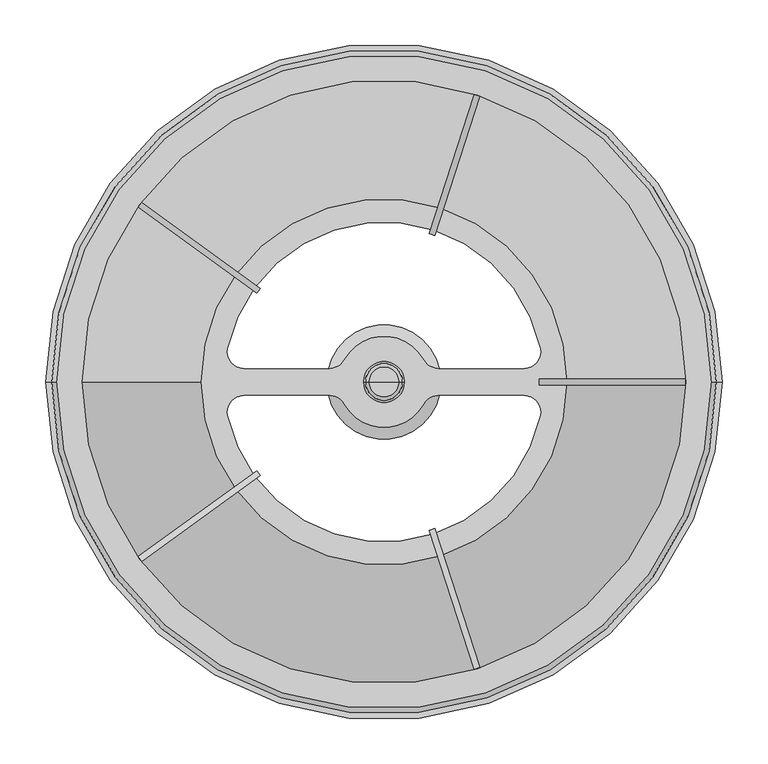
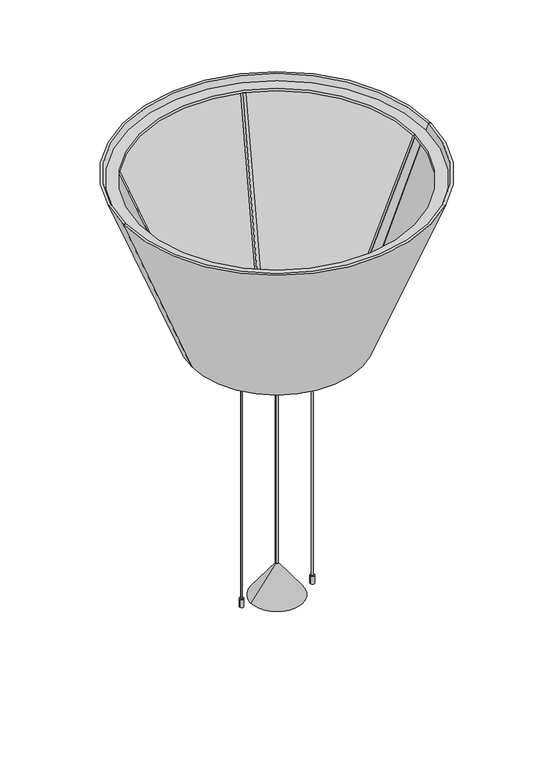
"""IFC4 building model written with IfcOpenShell, lengths in millimetres: light fixture geometry."""

from ifc_helpers import new_model, si_unit, point, frame, frame_2d, origin, origin_with_axes, origin_2d, place, context, project, spatial, polyline, circle_curve, ellipse_curve, trimmed, segment, composite_curve, outline, extrude, source, transform, mapped, element, save
from ifc_brep_helpers import plane_surface, cylinder_surface, revolved_surface, advanced_brep


def light_fixture_67ff0108(model_context):
    return source(origin(), model_context, "Body", "SolidModel", [
        extrude(outline(polyline([(0.0, 0.0), (419.6268012, 0.0), (409.2281237, -25.2451543), (-8.396722, -20.3849521), (0.0, 0.0)])), frame((98.7263926, -314.5340895, 1050.6001167), z_axis=(0.9510565162951651, 0.3090169943749121, 0.0), x_axis=(-0.1176931331949507, 0.36222221847271996, -0.924631489212571)), (0.0, 0.0, 1.0), 6.604),
        extrude(outline(polyline([(0.0, 0.0), (8.396722, -20.3849521), (-409.2281237, -25.2451543), (-419.6268012, 0.0), (0.0, 0.0)])), frame((-264.7498285, -196.4335062, 1050.6001167), z_axis=(-0.5877852522924315, 0.8090169943749778, 0.0), x_axis=(-0.30812462294689624, -0.2238656424965124, 0.924631489212571)), (0.0, 0.0, 1.0), 6.604),
        extrude(outline(polyline([(0.0, 0.0), (8.3967221, -20.3849522), (-409.2281236, -25.2451544), (-419.6268012, 0.0), (0.0, 0.0)])), frame((-268.6315623, 191.0907579, 1050.6001167), z_axis=(0.5877852522925145, 0.8090169943749174, 0.0), x_axis=(-0.30812462294687326, 0.223865642496544, 0.924631489212571)), (0.0, 0.0, 1.0), 6.604),
        extrude(outline(polyline([(0.0, 0.0), (419.6268012, 0.0), (409.2281237, -25.2451543), (-8.396722, -20.3849521), (0.0, 0.0)])), frame((105.0071698, 312.4933413, 1050.6001167), z_axis=(-0.9510565162951417, 0.3090169943749842, 0.0), x_axis=(-0.11769313319497819, -0.362222218472711, -0.924631489212571)), (0.0, 0.0, 1.0), 6.604),
        extrude(outline(polyline([(1050.6001167, 329.6478285), (662.5999626, 169.8275147), (662.5999626, 197.1304507), (1050.6001167, 351.6943977), (1050.6001167, 329.6478285)])), frame((0.0, -3.302, 0.0), z_axis=(0.0, 1.0, 0.0), x_axis=(0.0, 0.0, 1.0)), (0.0, 0.0, 1.0), 6.604),
        extrude(outline(composite_curve([segment(trimmed(circle_curve(origin_2d(), 200.0127486), [point((-200.0127486, 0.0))], [point((200.0127486, 0.0))], False, "CARTESIAN"), True, "CONTINUOUS"), segment(trimmed(circle_curve(origin_2d(), 200.0127486), [point((200.0127486, 0.0))], [point((-200.0127486, 0.0))], False, "CARTESIAN"), True, "CONTINUOUS")], self_intersect=False), holes=[composite_curve([segment(trimmed(circle_curve(origin_2d(), 50.0000005), [point((43.7638077, -24.1811743))], [point((-43.7638077, -24.1811743))], False, "CARTESIAN"), True, "CONTINUOUS"), segment(trimmed(circle_curve(frame_2d((-59.3262175, -32.7799998)), 17.78), [point((-43.7638077, -24.1811743))], [point((-59.3262175, -14.9999998))], True, "CARTESIAN"), True, "CONTINUOUS"), segment(polyline([(-59.3262175, -14.9999998), (-153.4570627, -14.9999998)]), True, "CONTINUOUS"), segment(trimmed(circle_curve(frame_2d((-153.4570627, -32.7799998)), 17.78), [point((-153.4570627, -14.9999998))], [point((-170.8447923, -36.4941968))], True, "CARTESIAN"), True, "CONTINUOUS"), segment(trimmed(circle_curve(origin_2d(), 174.6990826), [point((-170.8447923, -36.4941968))], [point((170.8447923, -36.4941968))], True, "CARTESIAN"), True, "CONTINUOUS"), segment(trimmed(circle_curve(frame_2d((153.4570627, -32.7799998)), 17.78), [point((170.8447923, -36.4941968))], [point((153.4570627, -14.9999998))], True, "CARTESIAN"), True, "CONTINUOUS"), segment(polyline([(153.4570627, -14.9999998), (59.3262175, -14.9999998)]), True, "CONTINUOUS"), segment(trimmed(circle_curve(frame_2d((59.3262175, -32.7799998)), 17.78), [point((59.3262175, -14.9999998))], [point((43.7638077, -24.1811743))], True, "CARTESIAN"), True, "CONTINUOUS")], self_intersect=False), composite_curve([segment(trimmed(circle_curve(frame_2d((-59.3262175, 32.7799998)), 17.78), [point((-59.3262175, 14.9999998))], [point((-43.7638077, 24.1811743))], True, "CARTESIAN"), True, "CONTINUOUS"), segment(trimmed(circle_curve(origin_2d(), 50.0000005), [point((-43.7638077, 24.1811743))], [point((43.7638077, 24.1811743))], False, "CARTESIAN"), True, "CONTINUOUS"), segment(trimmed(circle_curve(frame_2d((59.3262175, 32.7799998)), 17.78), [point((43.7638077, 24.1811743))], [point((59.3262175, 14.9999998))], True, "CARTESIAN"), True, "CONTINUOUS"), segment(polyline([(59.3262175, 14.9999998), (153.4570627, 14.9999998)]), True, "CONTINUOUS"), segment(trimmed(circle_curve(frame_2d((153.4570627, 32.7799998)), 17.78), [point((153.4570627, 14.9999998))], [point((170.8447923, 36.4941968))], True, "CARTESIAN"), True, "CONTINUOUS"), segment(trimmed(circle_curve(origin_2d(), 174.6990826), [point((170.8447923, 36.4941968))], [point((-170.8447923, 36.4941968))], True, "CARTESIAN"), True, "CONTINUOUS"), segment(trimmed(circle_curve(frame_2d((-153.4570627, 32.7799998)), 17.78), [point((-170.8447923, 36.4941968))], [point((-153.4570627, 14.9999998))], True, "CARTESIAN"), True, "CONTINUOUS"), segment(polyline([(-153.4570627, 14.9999998), (-59.3262175, 14.9999998)]), True, "CONTINUOUS")], self_intersect=False)]), frame((0.0, 0.0, 656.6000381), z_axis=(0.0, 0.0, 1.0), x_axis=(1.0, 0.0, 0.0)), (0.0, 0.0, 1.0), 5.9999245),
        extrude(outline(composite_curve([segment(trimmed(circle_curve(origin_2d(), 359.41), [point((-359.41, 0.0))], [point((359.41, 0.0))], False, "CARTESIAN"), True, "CONTINUOUS"), segment(trimmed(circle_curve(origin_2d(), 359.41), [point((359.41, 0.0))], [point((-359.41, 0.0))], False, "CARTESIAN"), True, "CONTINUOUS")], self_intersect=False), holes=[composite_curve([segment(trimmed(circle_curve(origin_2d(), 330.2), [point((-330.2, 0.0))], [point((330.2, 0.0))], True, "CARTESIAN"), True, "CONTINUOUS"), segment(trimmed(circle_curve(origin_2d(), 330.2), [point((330.2, 0.0))], [point((-330.2, 0.0))], True, "CARTESIAN"), True, "CONTINUOUS")], self_intersect=False)]), frame((0.0, 0.0, 1050.6001167), z_axis=(0.0, 0.0, 1.0), x_axis=(1.0, 0.0, 0.0)), (0.0, 0.0, 1.0), 5.9999245),
        advanced_brep(
        [(198.628, 0.0, 651.1675209), (-198.628, 0.0, 651.1675209), (-204.978, 0.0, 651.1675209), (204.978, 0.0, 651.1675209), (363.7273162, 0.0, 1071.2835209), (-363.7273162, 0.0, 1071.2835209), (370.0773162, 0.0, 1071.2835209), (-370.0773162, 0.0, 1071.2835209)],
        [
            (0, 1, circle_curve(frame((0.0, 0.0, 651.1675209), z_axis=(0.0, 0.0, 1.0), x_axis=(-1.0, 0.0, 0.0)), 198.628)),
            (1, 2),
            (2, 3, circle_curve(frame((0.0, 0.0, 651.1675209), z_axis=(0.0, 0.0, -1.0), x_axis=(-1.0, 0.0, 0.0)), 204.978)),
            (3, 0),
            (1, 0, circle_curve(frame((0.0, 0.0, 651.1675209), z_axis=(0.0, 0.0, 1.0), x_axis=(-1.0, 0.0, 0.0)), 198.628)),
            (3, 2, circle_curve(frame((0.0, 0.0, 651.1675209), z_axis=(0.0, 0.0, -1.0), x_axis=(-1.0, 0.0, 0.0)), 204.978)),
            (4, 5, circle_curve(frame((0.0, 0.0, 1071.2835209), z_axis=(0.0, 0.0, 1.0), x_axis=(-1.0, 0.0, 0.0)), 363.7273162)),
            (5, 1),
            (0, 4),
            (5, 4, circle_curve(frame((0.0, 0.0, 1071.2835209), z_axis=(0.0, 0.0, 1.0), x_axis=(-1.0, 0.0, 0.0)), 363.7273162)),
            (6, 7, circle_curve(frame((0.0, 0.0, 1071.2835209), z_axis=(0.0, 0.0, 1.0), x_axis=(-1.0, 0.0, 0.0)), 370.0773162)),
            (7, 5),
            (4, 6),
            (7, 6, circle_curve(frame((0.0, 0.0, 1071.2835209), z_axis=(0.0, 0.0, 1.0), x_axis=(-1.0, 0.0, 0.0)), 370.0773162)),
            (2, 7),
            (6, 3),
        ],
        [
            plane_surface(frame((0.0, 0.0, 651.1675209), z_axis=(0.0, 0.0, -1.0), x_axis=(-1.0, 0.0, 0.0))),
            revolved_surface(polyline([(-198.628, 0.0, 651.1675209), (-363.7273162, 0.0, 1071.2835209)]), (0.0, 0.0, 1198.2835209), (0.0, 0.0, -1.0)),
            plane_surface(frame((0.0, 0.0, 1071.2835209), z_axis=(0.0, 0.0, 1.0), x_axis=(-1.0, 0.0, 0.0))),
            revolved_surface(polyline([(-370.0773162, 0.0, 1071.2835209), (-204.978, 0.0, 651.1675209)]), (0.0, 0.0, 1198.2835209), (0.0, 0.0, -1.0)),
        ],
        [
            (0, [[1, 2, 3, 4]]),
            (0, [[5, -4, 6, -2]]),
            (1, [[7, 8, -1, 9]]),
            (1, [[10, -9, -5, -8]]),
            (2, [[11, 12, -7, 13]]),
            (2, [[14, -13, -10, -12]]),
            (3, [[-3, 15, -11, 16]]),
            (3, [[-6, -16, -14, -15]]),
        ],
    ),
        advanced_brep(
        [(-11.0616704, 0.0, 664.5533765), (11.0616704, 0.0, 664.5533765), (7.7346314, 0.0, 662.5999626), (-7.7346314, 0.0, 662.5999626), (-21.5426766, 0.0, 683.3355465), (21.5426766, 0.0, 683.3355465), (-22.3301074, 0.0, 686.9010236), (22.3301074, 0.0, 686.9010236), (-20.234002, 0.0, 715.072733), (20.234002, 0.0, 715.072733), (-16.4345046, 0.0, 718.6000328), (16.4345046, 0.0, 718.6000328), (0.0, 0.0, 718.6000328), (0.0, 0.0, 662.5999626)],
        [
            (0, 1, circle_curve(frame((0.0, 0.0, 664.5533765), z_axis=(0.0, 0.0, -1.0), x_axis=(1.0, 0.0, 0.0)), 11.0616704)),
            (1, 2, circle_curve(frame((7.7346314, 0.0, 666.4099626), z_axis=(0.0, 1.0, 0.0), x_axis=(1.0, 0.0, 0.0)), 3.81)),
            (2, 3, circle_curve(frame((0.0, 0.0, 662.5999626), z_axis=(0.0, 0.0, 1.0), x_axis=(1.0, 0.0, 0.0)), 7.7346314)),
            (3, 0, circle_curve(frame((-7.7346314, 0.0, 666.4099626), z_axis=(0.0, 1.0, 0.0), x_axis=(-1.0, 0.0, 0.0)), 3.81)),
            (1, 0, circle_curve(frame((0.0, 0.0, 664.5533765), z_axis=(0.0, 0.0, -1.0), x_axis=(1.0, 0.0, 0.0)), 11.0616704)),
            (3, 2, circle_curve(frame((0.0, 0.0, 662.5999626), z_axis=(0.0, 0.0, 1.0), x_axis=(1.0, 0.0, 0.0)), 7.7346314)),
            (4, 5, circle_curve(frame((0.0, 0.0, 683.3355465), z_axis=(0.0, 0.0, -1.0), x_axis=(1.0, 0.0, 0.0)), 21.5426766)),
            (5, 1),
            (0, 4),
            (5, 4, circle_curve(frame((0.0, 0.0, 683.3355465), z_axis=(0.0, 0.0, -1.0), x_axis=(1.0, 0.0, 0.0)), 21.5426766)),
            (6, 7, circle_curve(frame((0.0, 0.0, 686.9010236), z_axis=(0.0, 0.0, -1.0), x_axis=(1.0, 0.0, 0.0)), 22.3301074)),
            (7, 5, circle_curve(frame((15.9976117, 0.0, 686.4298567), z_axis=(0.0, 1.0, 0.0), x_axis=(1.0, 0.0, 0.0)), 6.35)),
            (4, 6, circle_curve(frame((-15.9976117, 0.0, 686.4298567), z_axis=(0.0, 1.0, 0.0), x_axis=(-1.0, 0.0, 0.0)), 6.35)),
            (7, 6, circle_curve(frame((0.0, 0.0, 686.9010236), z_axis=(0.0, 0.0, -1.0), x_axis=(1.0, 0.0, 0.0)), 22.3301074)),
            (8, 9, circle_curve(frame((0.0, 0.0, 715.072733), z_axis=(0.0, 0.0, -1.0), x_axis=(1.0, 0.0, 0.0)), 20.234002)),
            (9, 7),
            (6, 8),
            (9, 8, circle_curve(frame((0.0, 0.0, 715.072733), z_axis=(0.0, 0.0, -1.0), x_axis=(1.0, 0.0, 0.0)), 20.234002)),
            (10, 11, circle_curve(frame((0.0, 0.0, 718.6000328), z_axis=(0.0, 0.0, -1.0), x_axis=(1.0, 0.0, 0.0)), 16.4345046)),
            (11, 9, circle_curve(frame((16.4345046, 0.0, 714.7900328), z_axis=(0.0, 1.0, 0.0), x_axis=(1.0, 0.0, 0.0)), 3.81)),
            (8, 10, circle_curve(frame((-16.4345046, 0.0, 714.7900328), z_axis=(0.0, 1.0, 0.0), x_axis=(-1.0, 0.0, 0.0)), 3.81)),
            (11, 10, circle_curve(frame((0.0, 0.0, 718.6000328), z_axis=(0.0, 0.0, -1.0), x_axis=(1.0, 0.0, 0.0)), 16.4345046)),
            (12, 11),
            (10, 12),
            (2, 13),
            (13, 3),
        ],
        [
            revolved_surface(trimmed(ellipse_curve(frame((7.7346314, 0.0, 666.4099626), z_axis=(0.0, -1.0, 0.0), x_axis=(1.0, 0.0, 0.0)), 3.81, 3.81), [point((7.7346314, 0.0, 662.5999626))], [point((11.0616704, 0.0, 664.5533765))], True, "CARTESIAN"), (0.0, 0.0, 741.9472855), (0.0, 0.0, 1.0)),
            revolved_surface(polyline([(11.0616704, 0.0, 664.5533765), (21.5426766, 0.0, 683.3355465)]), (0.0, 0.0, 741.9472855), (0.0, 0.0, 1.0)),
            revolved_surface(trimmed(ellipse_curve(frame((15.9976117, 0.0, 686.4298567), z_axis=(0.0, -1.0, 0.0), x_axis=(1.0, 0.0, 0.0)), 6.35, 6.35), [point((21.5426766, 0.0, 683.3355465))], [point((22.3301074, 0.0, 686.9010236))], True, "CARTESIAN"), (0.0, 0.0, 741.9472855), (0.0, 0.0, 1.0)),
            revolved_surface(polyline([(22.3301074, 0.0, 686.9010236), (20.234002, 0.0, 715.072733)]), (0.0, 0.0, 741.9472855), (0.0, 0.0, 1.0)),
            revolved_surface(trimmed(ellipse_curve(frame((16.4345046, 0.0, 714.7900328), z_axis=(0.0, -1.0, 0.0), x_axis=(1.0, 0.0, 0.0)), 3.81, 3.81), [point((20.234002, 0.0, 715.072733))], [point((16.4345046, 0.0, 718.6000328))], True, "CARTESIAN"), (0.0, 0.0, 741.9472855), (0.0, 0.0, 1.0)),
            plane_surface(frame((0.0, 0.0, 718.6000328), z_axis=(0.0, 0.0, 1.0), x_axis=(1.0, 0.0, 0.0))),
            plane_surface(frame((0.0, 0.0, 662.5999626), z_axis=(0.0, 0.0, -1.0), x_axis=(1.0, 0.0, 0.0))),
        ],
        [
            (0, [[1, 2, 3, 4]]),
            (0, [[5, -4, 6, -2]]),
            (1, [[7, 8, -1, 9]]),
            (1, [[10, -9, -5, -8]]),
            (2, [[11, 12, -7, 13]]),
            (2, [[14, -13, -10, -12]]),
            (3, [[15, 16, -11, 17]]),
            (3, [[18, -17, -14, -16]]),
            (4, [[19, 20, -15, 21]]),
            (4, [[22, -21, -18, -20]]),
            (5, [[23, -19, 24]]),
            (5, [[-24, -22, -23]]),
            (6, [[-3, 25, 26]]),
            (6, [[-6, -26, -25]]),
        ],
    ),
        extrude(outline(composite_curve([segment(trimmed(circle_curve(frame_2d((85.09, 0.0)), 1.905), [point((86.995, 0.0))], [point((83.185, 0.0))], False, "CARTESIAN"), True, "CONTINUOUS"), segment(trimmed(circle_curve(frame_2d((85.09, 0.0)), 1.905), [point((83.185, 0.0))], [point((86.995, 0.0))], False, "CARTESIAN"), True, "CONTINUOUS")], self_intersect=False)), frame((0.0, 0.0, 19.999942), z_axis=(0.0, 0.0, 1.0), x_axis=(1.0, 0.0, 0.0)), (0.0, 0.0, 1.0), 609.6),
        extrude(outline(composite_curve([segment(trimmed(circle_curve(frame_2d((-85.09, 0.0)), 1.905), [point((-86.995, 0.0))], [point((-83.185, 0.0))], False, "CARTESIAN"), True, "CONTINUOUS"), segment(trimmed(circle_curve(frame_2d((-85.09, 0.0)), 1.905), [point((-83.185, 0.0))], [point((-86.995, 0.0))], False, "CARTESIAN"), True, "CONTINUOUS")], self_intersect=False)), frame((0.0, 0.0, 19.999942), z_axis=(0.0, 0.0, 1.0), x_axis=(1.0, 0.0, 0.0)), (0.0, 0.0, 1.0), 609.6),
        advanced_brep(
        [(4.9999946, 0.0, 629.599942), (-4.9999946, 0.0, 629.599942), (-4.9999946, 0.0, 649.599884), (4.9999946, 0.0, 649.599884), (-9.9999983, 0.0, 649.599884), (9.9999983, 0.0, 649.599884), (-9.9999983, 0.0, 656.6000381), (9.9999983, 0.0, 656.6000381), (0.0, 0.0, 656.6000381), (0.0, 0.0, 629.599942)],
        [
            (0, 1, circle_curve(frame((0.0, 0.0, 629.599942), z_axis=(0.0, 0.0, 1.0), x_axis=(-1.0, 0.0, 0.0)), 4.9999946)),
            (1, 2),
            (2, 3, circle_curve(frame((0.0, 0.0, 649.599884), z_axis=(0.0, 0.0, -1.0), x_axis=(-1.0, 0.0, 0.0)), 4.9999946)),
            (3, 0),
            (1, 0, circle_curve(frame((0.0, 0.0, 629.599942), z_axis=(0.0, 0.0, 1.0), x_axis=(-1.0, 0.0, 0.0)), 4.9999946)),
            (3, 2, circle_curve(frame((0.0, 0.0, 649.599884), z_axis=(0.0, 0.0, -1.0), x_axis=(-1.0, 0.0, 0.0)), 4.9999946)),
            (2, 4),
            (4, 5, circle_curve(frame((0.0, 0.0, 649.599884), z_axis=(0.0, 0.0, -1.0), x_axis=(-1.0, 0.0, 0.0)), 9.9999983)),
            (5, 3),
            (5, 4, circle_curve(frame((0.0, 0.0, 649.599884), z_axis=(0.0, 0.0, -1.0), x_axis=(-1.0, 0.0, 0.0)), 9.9999983)),
            (4, 6),
            (6, 7, circle_curve(frame((0.0, 0.0, 656.6000381), z_axis=(0.0, 0.0, -1.0), x_axis=(-1.0, 0.0, 0.0)), 9.9999983)),
            (7, 5),
            (7, 6, circle_curve(frame((0.0, 0.0, 656.6000381), z_axis=(0.0, 0.0, -1.0), x_axis=(-1.0, 0.0, 0.0)), 9.9999983)),
            (6, 8),
            (8, 7),
            (9, 1),
            (0, 9),
        ],
        [
            cylinder_surface(frame((0.0, 0.0, 656.6000381), z_axis=(0.0, 0.0, -1.0), x_axis=(-1.0, 0.0, 0.0)), 4.9999946),
            plane_surface(frame((0.0, 0.0, 649.599884), z_axis=(0.0, 0.0, -1.0), x_axis=(-1.0, 0.0, 0.0))),
            cylinder_surface(frame((0.0, 0.0, 656.6000381), z_axis=(0.0, 0.0, -1.0), x_axis=(-1.0, 0.0, 0.0)), 9.9999983),
            plane_surface(frame((0.0, 0.0, 656.6000381), z_axis=(0.0, 0.0, 1.0), x_axis=(-1.0, 0.0, 0.0))),
            plane_surface(frame((0.0, 0.0, 629.599942), z_axis=(0.0, 0.0, -1.0), x_axis=(-1.0, 0.0, 0.0))),
        ],
        [
            (0, [[1, 2, 3, 4]]),
            (0, [[5, -4, 6, -2]]),
            (1, [[-3, 7, 8, 9]]),
            (1, [[-6, -9, 10, -7]]),
            (2, [[-8, 11, 12, 13]]),
            (2, [[-10, -13, 14, -11]]),
            (3, [[-12, 15, 16]]),
            (3, [[-14, -16, -15]]),
            (4, [[17, -1, 18]]),
            (4, [[-18, -5, -17]]),
        ],
    ),
        advanced_brep(
        [(90.0542052, 0.0, 629.599942), (80.0542161, 0.0, 629.599942), (80.0542161, 0.0, 649.599884), (90.0542052, 0.0, 649.599884), (75.0542124, 0.0, 649.599884), (95.0542089, 0.0, 649.599884), (75.0542124, 0.0, 656.6000381), (95.0542089, 0.0, 656.6000381), (85.0542106, 0.0, 656.6000381), (85.0542106, 0.0, 629.599942)],
        [
            (0, 1, circle_curve(frame((85.0542106, 0.0, 629.599942), z_axis=(0.0, 0.0, 1.0), x_axis=(-1.0, 0.0, 0.0)), 4.9999946)),
            (1, 2),
            (2, 3, circle_curve(frame((85.0542106, 0.0, 649.599884), z_axis=(0.0, 0.0, -1.0), x_axis=(-1.0, 0.0, 0.0)), 4.9999946)),
            (3, 0),
            (1, 0, circle_curve(frame((85.0542106, 0.0, 629.599942), z_axis=(0.0, 0.0, 1.0), x_axis=(-1.0, 0.0, 0.0)), 4.9999946)),
            (3, 2, circle_curve(frame((85.0542106, 0.0, 649.599884), z_axis=(0.0, 0.0, -1.0), x_axis=(-1.0, 0.0, 0.0)), 4.9999946)),
            (2, 4),
            (4, 5, circle_curve(frame((85.0542106, 0.0, 649.599884), z_axis=(0.0, 0.0, -1.0), x_axis=(-1.0, 0.0, 0.0)), 9.9999983)),
            (5, 3),
            (5, 4, circle_curve(frame((85.0542106, 0.0, 649.599884), z_axis=(0.0, 0.0, -1.0), x_axis=(-1.0, 0.0, 0.0)), 9.9999983)),
            (4, 6),
            (6, 7, circle_curve(frame((85.0542106, 0.0, 656.6000381), z_axis=(0.0, 0.0, -1.0), x_axis=(-1.0, 0.0, 0.0)), 9.9999983)),
            (7, 5),
            (7, 6, circle_curve(frame((85.0542106, 0.0, 656.6000381), z_axis=(0.0, 0.0, -1.0), x_axis=(-1.0, 0.0, 0.0)), 9.9999983)),
            (6, 8),
            (8, 7),
            (9, 1),
            (0, 9),
        ],
        [
            cylinder_surface(frame((85.0542106, 0.0, 656.6000381), z_axis=(0.0, 0.0, -1.0), x_axis=(-1.0, 0.0, 0.0)), 4.9999946),
            plane_surface(frame((85.0542106, 0.0, 649.599884), z_axis=(0.0, 0.0, -1.0), x_axis=(-1.0, 0.0, 0.0))),
            cylinder_surface(frame((85.0542106, 0.0, 656.6000381), z_axis=(0.0, 0.0, -1.0), x_axis=(-1.0, 0.0, 0.0)), 9.9999983),
            plane_surface(frame((85.0542106, 0.0, 656.6000381), z_axis=(0.0, 0.0, 1.0), x_axis=(-1.0, 0.0, 0.0))),
            plane_surface(frame((85.0542106, 0.0, 629.599942), z_axis=(0.0, 0.0, -1.0), x_axis=(-1.0, 0.0, 0.0))),
        ],
        [
            (0, [[1, 2, 3, 4]]),
            (0, [[5, -4, 6, -2]]),
            (1, [[-3, 7, 8, 9]]),
            (1, [[-6, -9, 10, -7]]),
            (2, [[-8, 11, 12, 13]]),
            (2, [[-10, -13, 14, -11]]),
            (3, [[-12, 15, 16]]),
            (3, [[-14, -16, -15]]),
            (4, [[17, -1, 18]]),
            (4, [[-18, -5, -17]]),
        ],
    ),
        advanced_brep(
        [(-90.0542052, 0.0, 649.599884), (-80.0542161, 0.0, 649.599884), (-80.0542161, 0.0, 629.599942), (-90.0542052, 0.0, 629.599942), (-95.0542089, 0.0, 649.599884), (-75.0542124, 0.0, 649.599884), (-95.0542089, 0.0, 656.6000381), (-75.0542124, 0.0, 656.6000381), (-85.0542106, 0.0, 656.6000381), (-85.0542106, 0.0, 629.599942)],
        [
            (0, 1, circle_curve(frame((-85.0542106, 0.0, 649.599884), z_axis=(0.0, 0.0, -1.0), x_axis=(1.0, 0.0, 0.0)), 4.9999946)),
            (1, 2),
            (2, 3, circle_curve(frame((-85.0542106, 0.0, 629.599942), z_axis=(0.0, 0.0, 1.0), x_axis=(1.0, 0.0, 0.0)), 4.9999946)),
            (3, 0),
            (1, 0, circle_curve(frame((-85.0542106, 0.0, 649.599884), z_axis=(0.0, 0.0, -1.0), x_axis=(1.0, 0.0, 0.0)), 4.9999946)),
            (3, 2, circle_curve(frame((-85.0542106, 0.0, 629.599942), z_axis=(0.0, 0.0, 1.0), x_axis=(1.0, 0.0, 0.0)), 4.9999946)),
            (4, 5, circle_curve(frame((-85.0542106, 0.0, 649.599884), z_axis=(0.0, 0.0, -1.0), x_axis=(1.0, 0.0, 0.0)), 9.9999983)),
            (5, 1),
            (0, 4),
            (5, 4, circle_curve(frame((-85.0542106, 0.0, 649.599884), z_axis=(0.0, 0.0, -1.0), x_axis=(1.0, 0.0, 0.0)), 9.9999983)),
            (6, 7, circle_curve(frame((-85.0542106, 0.0, 656.6000381), z_axis=(0.0, 0.0, -1.0), x_axis=(1.0, 0.0, 0.0)), 9.9999983)),
            (7, 5),
            (4, 6),
            (7, 6, circle_curve(frame((-85.0542106, 0.0, 656.6000381), z_axis=(0.0, 0.0, -1.0), x_axis=(1.0, 0.0, 0.0)), 9.9999983)),
            (8, 7),
            (6, 8),
            (2, 9),
            (9, 3),
        ],
        [
            cylinder_surface(frame((-85.0542106, 0.0, 656.6000381), z_axis=(0.0, 0.0, 1.0), x_axis=(1.0, 0.0, 0.0)), 4.9999946),
            plane_surface(frame((-85.0542106, 0.0, 649.599884), z_axis=(0.0, 0.0, -1.0), x_axis=(1.0, 0.0, 0.0))),
            cylinder_surface(frame((-85.0542106, 0.0, 656.6000381), z_axis=(0.0, 0.0, 1.0), x_axis=(1.0, 0.0, 0.0)), 9.9999983),
            plane_surface(frame((-85.0542106, 0.0, 656.6000381), z_axis=(0.0, 0.0, 1.0), x_axis=(1.0, 0.0, 0.0))),
            plane_surface(frame((-85.0542106, 0.0, 629.599942), z_axis=(0.0, 0.0, -1.0), x_axis=(1.0, 0.0, 0.0))),
        ],
        [
            (0, [[1, 2, 3, 4]]),
            (0, [[5, -4, 6, -2]]),
            (1, [[7, 8, -1, 9]]),
            (1, [[10, -9, -5, -8]]),
            (2, [[11, 12, -7, 13]]),
            (2, [[14, -13, -10, -12]]),
            (3, [[15, -11, 16]]),
            (3, [[-16, -14, -15]]),
            (4, [[-3, 17, 18]]),
            (4, [[-6, -18, -17]]),
        ],
    ),
        advanced_brep(
        [(0.0, 0.0, 80.9200607), (3.0, 0.0, 80.9200607), (-3.0, 0.0, 80.9200607), (-62.5000005, 0.0, 0.0), (62.5000005, 0.0, 0.0), (0.0, 0.0, 0.0)],
        [
            (0, 1),
            (1, 2, circle_curve(frame((0.0, 0.0, 80.9200607), z_axis=(0.0, 0.0, 1.0), x_axis=(1.0, 0.0, 0.0)), 3.0)),
            (2, 0),
            (2, 1, circle_curve(frame((0.0, 0.0, 80.9200607), z_axis=(0.0, 0.0, 1.0), x_axis=(1.0, 0.0, 0.0)), 3.0)),
            (3, 4, circle_curve(frame((0.0, 0.0, 0.0), z_axis=(0.0, 0.0, -1.0), x_axis=(1.0, 0.0, 0.0)), 62.5000005)),
            (4, 5),
            (5, 3),
            (4, 3, circle_curve(frame((0.0, 0.0, 0.0), z_axis=(0.0, 0.0, -1.0), x_axis=(1.0, 0.0, 0.0)), 62.5000005)),
            (1, 4),
            (3, 2),
        ],
        [
            plane_surface(frame((0.0, 0.0, 80.9200607), z_axis=(0.0, 0.0, 1.0), x_axis=(1.0, 0.0, 0.0))),
            plane_surface(frame((0.0, 0.0, 0.0), z_axis=(0.0, 0.0, -1.0), x_axis=(1.0, 0.0, 0.0))),
            revolved_surface(polyline([(62.5000005, 0.0, 0.0), (3.0, 0.0, 80.9200607)]), (0.0, 0.0, 138.0700607), (0.0, 0.0, 1.0)),
        ],
        [
            (0, [[1, 2, 3]]),
            (0, [[-3, 4, -1]]),
            (1, [[5, 6, 7]]),
            (1, [[8, -7, -6]]),
            (2, [[-2, 9, -5, 10]]),
            (2, [[-4, -10, -8, -9]]),
        ],
    ),
        extrude(outline(composite_curve([segment(trimmed(circle_curve(frame_2d((85.09, 0.0)), 4.953), [point((80.137, 0.0))], [point((90.043, 0.0))], False, "CARTESIAN"), True, "CONTINUOUS"), segment(trimmed(circle_curve(frame_2d((85.09, 0.0)), 4.953), [point((90.043, 0.0))], [point((80.137, 0.0))], False, "CARTESIAN"), True, "CONTINUOUS")], self_intersect=False)), origin_with_axes(), (0.0, 0.0, 1.0), 19.999942),
        extrude(outline(composite_curve([segment(trimmed(circle_curve(frame_2d((-85.09, 0.0)), 4.9642139), [point((-90.0542139, 0.0))], [point((-80.1257861, 0.0))], False, "CARTESIAN"), True, "CONTINUOUS"), segment(trimmed(circle_curve(frame_2d((-85.09, 0.0)), 4.9642139), [point((-80.1257861, 0.0))], [point((-90.0542139, 0.0))], False, "CARTESIAN"), True, "CONTINUOUS")], self_intersect=False)), origin_with_axes(), (0.0, 0.0, 1.0), 19.999942),
        extrude(outline(composite_curve([segment(trimmed(circle_curve(origin_2d(), 3.0), [point((-3.0, 0.0))], [point((3.0, 0.0))], False, "CARTESIAN"), True, "CONTINUOUS"), segment(trimmed(circle_curve(origin_2d(), 3.0), [point((3.0, 0.0))], [point((-3.0, 0.0))], False, "CARTESIAN"), True, "CONTINUOUS")], self_intersect=False)), frame((0.0, 0.0, 80.9200607), z_axis=(0.0, 0.0, 1.0), x_axis=(1.0, 0.0, 0.0)), (0.0, 0.0, 1.0), 548.6798813),
    ])


if __name__ == "__main__":
    model = new_model("IFC4")
    model_context = context("Model", 3, world=origin())
    ifc_project = project(units=[si_unit("LENGTHUNIT", "METRE", prefix="MILLI")], contexts=[model_context])
    site = spatial("IfcSite", under=ifc_project)
    building = spatial("IfcBuilding", under=site)
    placement = place(None, origin())
    light_fixture_shape = light_fixture_67ff0108(model_context)
    element("IfcLightFixture", 1, at=placement, inside=building, context=model_context, shape_type="MappedRepresentation", body=[
        mapped(light_fixture_shape, transform((0.0, 0.0, 0.0), x_axis=(1.0, 0.0, 0.0), y_axis=(0.0, 1.0, 0.0), z_axis=(0.0, 0.0, 1.0))),
    ])
    save(model, "model.ifc")
